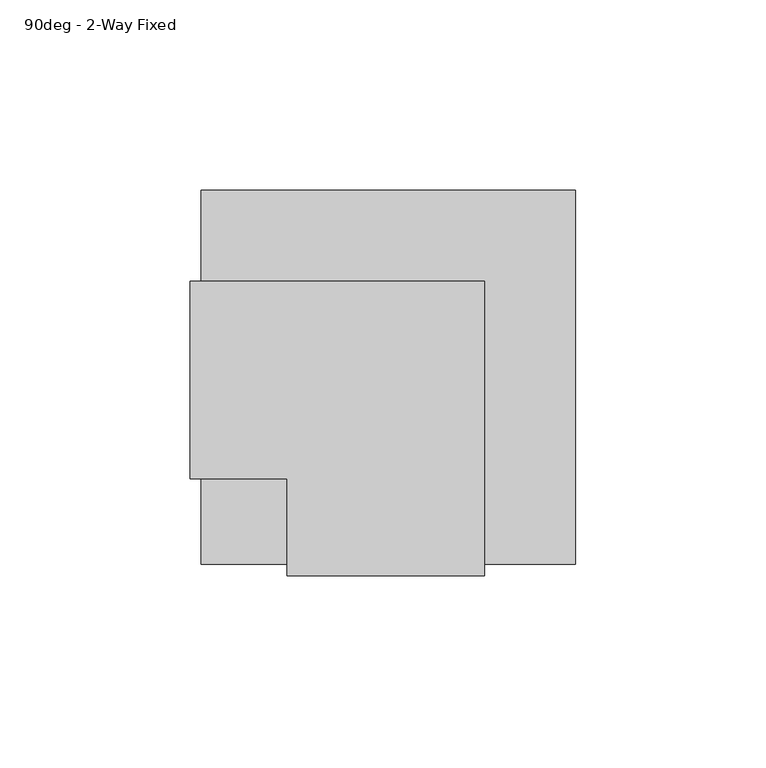
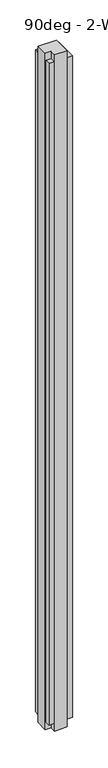
"""IFC4 building model written with IfcOpenShell, lengths in millimetres: furniture geometry, 90deg - 2-Way Fixed."""

from ifc_helpers import new_model, si_unit, frame, origin, origin_with_axes, place, context, project, spatial, polyline, outline, extrude, source, transform, mapped, element, save


def furniture_90deg_2_way_fixed_b66be084(model_context):
    return source(origin(), model_context, "Body", "SweptSolid", [
        extrude(outline(polyline([(-176.1915113, -25.9969), (-176.1915113, 25.9969), (-98.6834113, 25.9969), (-98.6834113, -51.5112), (-150.6772113, -51.5112), (-150.6772113, -25.9969), (-176.1915113, -25.9969)])), origin_with_axes(), (0.0, 0.0, 1.0), 2997.2),
        extrude(outline(polyline([(-173.1943113, 50.0126), (-74.6677113, 50.0126), (-74.6677113, -48.4886), (-98.6834113, -48.4886), (-98.6834113, 25.9969), (-173.1943113, 25.9969), (-173.1943113, 50.0126)])), frame((0.0, 0.0, 32.004), z_axis=(0.0, 0.0, 1.0), x_axis=(1.0, 0.0, 0.0)), (0.0, 0.0, 1.0), 2933.192),
        extrude(outline(polyline([(-150.6772113, -48.4886), (-173.1943113, -48.4886), (-173.1943113, -25.9969), (-150.6772113, -25.9969), (-150.6772113, -48.4886)])), frame((0.0, 0.0, 32.004), z_axis=(0.0, 0.0, 1.0), x_axis=(1.0, 0.0, 0.0)), (0.0, 0.0, 1.0), 2933.192),
    ])


if __name__ == "__main__":
    model = new_model("IFC4")
    model_context = context("Model", 3, world=origin())
    ifc_project = project(units=[si_unit("LENGTHUNIT", "METRE", prefix="MILLI")], contexts=[model_context])
    site = spatial("IfcSite", under=ifc_project)
    building = spatial("IfcBuilding", under=site)
    placement = place(None, origin())
    furniture_90deg_2_way_fixed_shape = furniture_90deg_2_way_fixed_b66be084(model_context)
    element("IfcFurniture", 1, ObjectType="90deg - 2-Way Fixed", at=placement, inside=building, context=model_context, shape_type="MappedRepresentation", body=[
        mapped(furniture_90deg_2_way_fixed_shape, transform((0.0, 0.0, 0.0), x_axis=(1.0, 0.0, 0.0), y_axis=(0.0, 1.0, 0.0), z_axis=(0.0, 0.0, 1.0))),
    ])
    save(model, "model.ifc")
